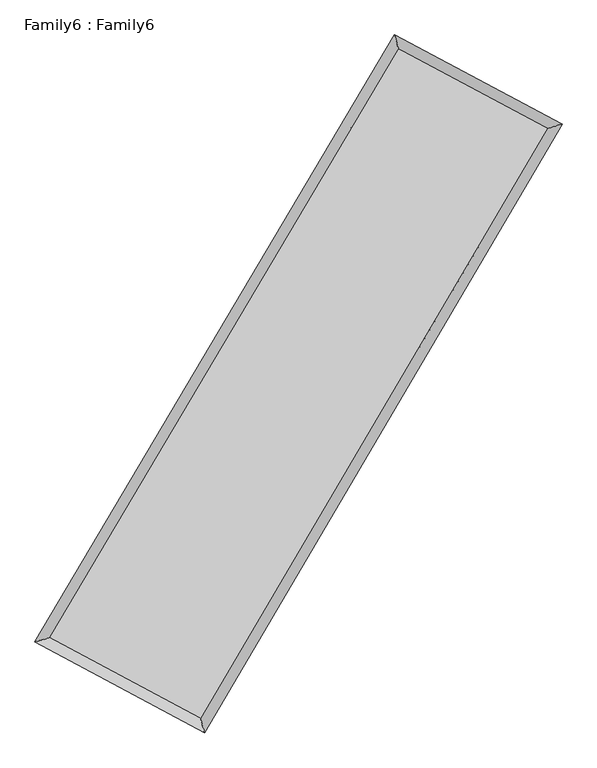
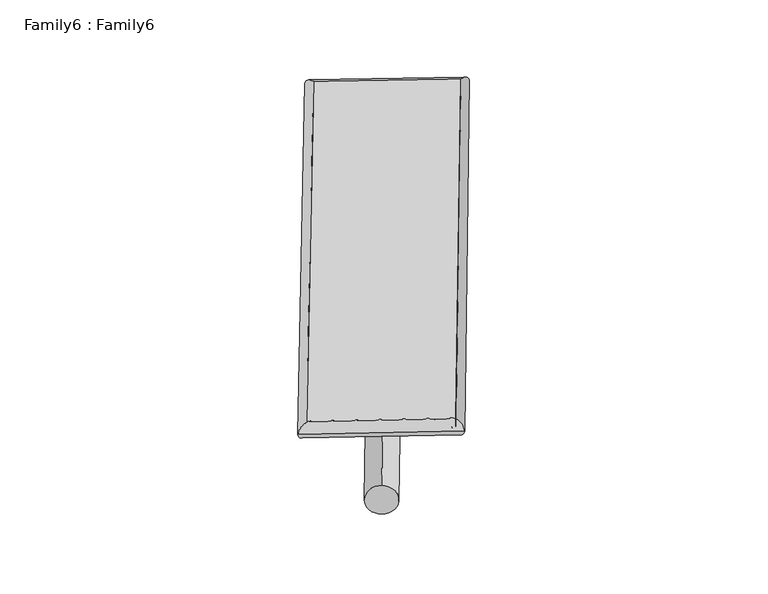
"""IFC4 building model written with IfcOpenShell, lengths in millimetres: plate geometry, Family6 : Family6."""

from ifc_helpers import new_model, si_unit, point, frame, origin, origin_2d, place, context, project, spatial, circle_curve, ellipse_curve, trimmed, segment, composite_curve, outline, extrude, source, transform, mapped, element, save
from ifc_brep_helpers import plane_surface, cylinder_surface, spline_surface, advanced_brep


def family6_family6_4b37ae3a(model_context):
    return source(origin(), model_context, "Body", "SolidModel", [
        extrude(outline(composite_curve([segment(trimmed(circle_curve(origin_2d(), 76.2), [point((-75.4341514, -10.7763073))], [point((75.4341514, 10.7763073))], False, "CARTESIAN"), True, "CONTINUOUS"), segment(trimmed(circle_curve(origin_2d(), 76.2), [point((75.4341514, 10.7763073))], [point((-75.4341514, -10.7763073))], False, "CARTESIAN"), True, "CONTINUOUS")], self_intersect=False)), frame((9144.0, 9144.0, 0.0), z_axis=(0.6725714700838434, 0.6889380627000794, 0.2702072600658973), x_axis=(-0.6806189527876735, 0.7192105387891109, -0.1396210657490038)), (0.0, 0.0, 1.0), 5620.254368),
        extrude(outline(composite_curve([segment(trimmed(circle_curve(origin_2d(), 76.2), [point((-53.8815367, 53.8815368))], [point((53.8815367, -53.8815368))], False, "CARTESIAN"), True, "CONTINUOUS"), segment(trimmed(circle_curve(origin_2d(), 76.2), [point((53.8815367, -53.8815368))], [point((-53.8815367, 53.8815368))], False, "CARTESIAN"), True, "CONTINUOUS")], self_intersect=False)), frame((9144.0, 9144.0, 0.0), z_axis=(-0.6748914644322163, -0.6867174343248839, 0.2700753165892573), x_axis=(0.6391530062211681, -0.36108952946366196, 0.6790418148760462)), (0.0, 0.0, 1.0), 5623.5192378),
        extrude(outline(composite_curve([segment(trimmed(circle_curve(origin_2d(), 76.2), [point((-53.8815367, -53.8815367))], [point((53.8815367, 53.8815367))], False, "CARTESIAN"), True, "CONTINUOUS"), segment(trimmed(circle_curve(origin_2d(), 76.2), [point((53.8815367, 53.8815367))], [point((-53.8815367, -53.8815367))], False, "CARTESIAN"), True, "CONTINUOUS")], self_intersect=False)), frame((9144.0, 9144.0, 0.0), z_axis=(0.2731679523980719, 0.9213476802267281, 0.2765822154865924), x_axis=(-0.8405593495855311, 0.36843281044738024, -0.3971363040697663)), (0.0, 0.0, 1.0), 5518.1942736),
        extrude(outline(composite_curve([segment(trimmed(circle_curve(origin_2d(), 76.2), [point((-75.4341515, 10.7763073))], [point((75.4341515, -10.7763073))], False, "CARTESIAN"), True, "CONTINUOUS"), segment(trimmed(circle_curve(origin_2d(), 76.2), [point((75.4341515, -10.7763073))], [point((-75.4341515, 10.7763073))], False, "CARTESIAN"), True, "CONTINUOUS")], self_intersect=False)), frame((9144.0, 9144.0, 0.0), z_axis=(-0.2700520312596438, -0.9223255668879273, 0.27638279446702935), x_axis=(0.8795368525198635, -0.11950728796377748, 0.460578910918634)), (0.0, 0.0, 1.0), 5522.5083468),
        advanced_brep(
        [(5136.4262693, 5222.9317915, 1519.3668503), (5561.0454853, 5341.5335508, 1519.5183131), (5561.0434633, 5341.5308028, 1518.1806267), (10708.2098587, 14025.1485217, 1525.4225132), (10594.5778026, 14431.2024644, 1527.0462821), (5136.4242473, 5222.9290435, 1518.0291639), (12712.1291859, 12956.3037379, 1518.7203551), (13135.9162992, 13075.7105745, 1518.5467122), (7595.4342504, 4253.8462583, 1526.1873617), (7709.8365562, 3847.0524585, 1526.465217)],
        [
            (0, 1, ellipse_curve(frame((5348.7348663, 5282.2312971, 1518.7737385), z_axis=(-0.2690156421882086, 0.9631345250450909, -0.001571917374751863), x_axis=(-0.9631316563850901, -0.2690189162955244, -0.0024970270511784774)), 220.4385442, 152.4)),
            (1, 2, ellipse_curve(frame((5348.7348663, 5282.2312971, 1518.7737385), z_axis=(-0.2690156421882086, 0.9631345250450909, -0.001571917374751863), x_axis=(-0.9631316563850901, -0.2690189162955244, -0.0024970270511784774)), 220.4385442, 152.4)),
            (2, 3),
            (3, 4, ellipse_curve(frame((10651.3938307, 14228.175493, 1526.2343977), z_axis=(-0.96300008041275, -0.26949667576147696, 0.001544952604614429), x_axis=(0.26949209868641005, -0.962998942211344, -0.0026544388157814965)), 210.8286732, 152.4)),
            (4, 0),
            (2, 5, ellipse_curve(frame((5348.7348663, 5282.2312971, 1518.7737385), z_axis=(-0.2690156421882086, 0.9631345250450909, -0.001571917374751863), x_axis=(-0.9631316563850901, -0.2690189162955244, -0.0024970270511784774)), 220.4385442, 152.4)),
            (5, 0, ellipse_curve(frame((5348.7348663, 5282.2312971, 1518.7737385), z_axis=(-0.2690156421882086, 0.9631345250450909, -0.001571917374751863), x_axis=(-0.9631316563850901, -0.2690189162955244, -0.0024970270511784774)), 220.4385442, 152.4)),
            (4, 3, ellipse_curve(frame((10651.3938307, 14228.175493, 1526.2343977), z_axis=(-0.96300008041275, -0.26949667576147696, 0.001544952604614429), x_axis=(0.26949209868641005, -0.962998942211344, -0.0026544388157814965)), 210.8286732, 152.4)),
            (3, 6),
            (6, 7, ellipse_curve(frame((12924.0227426, 13016.0071562, 1518.6335337), z_axis=(-0.27120071736330564, 0.9625214906745848, 0.0015971509646407521), x_axis=(-0.9625184637471593, -0.27120410765176023, 0.0025571348460482436)), 220.1445692, 152.4)),
            (7, 4),
            (7, 6, ellipse_curve(frame((12924.0227426, 13016.0071562, 1518.6335337), z_axis=(-0.27120071736330564, 0.9625214906745848, 0.0015971509646407521), x_axis=(-0.9625184637471593, -0.27120410765176023, 0.0025571348460482436)), 220.1445692, 152.4)),
            (6, 8),
            (8, 9, ellipse_curve(frame((7652.6354033, 4050.4493584, 1526.3262894), z_axis=(0.9626548161713481, 0.2707276880961953, 0.0014912411599707998), x_axis=(-0.27072329696439773, 0.9626536384725, -0.002620842685814904)), 211.2875973, 152.4)),
            (9, 7),
            (9, 8, ellipse_curve(frame((7652.6354033, 4050.4493584, 1526.3262894), z_axis=(0.9626548161713481, 0.2707276880961953, 0.0014912411599707998), x_axis=(-0.27072329696439773, 0.9626536384725, -0.002620842685814904)), 211.2875973, 152.4)),
            (8, 1),
            (5, 9),
        ],
        [
            cylinder_surface(frame((5348.7348663, 5282.2312971, 1518.7737385), z_axis=(-0.5098989511805304, -0.8602340059003832, -0.0007174103250641463), x_axis=(-0.8602266587080839, 0.5098907252580529, 0.004641545404554315)), 152.4),
            cylinder_surface(frame((10651.3938307, 14228.175493, 1526.2343977), z_axis=(-0.882333045015139, 0.4706162867588819, 0.002950984851691536), x_axis=(0.4706233838378253, 0.8823306343486297, 0.0025064466840004546)), 152.4),
            cylinder_surface(frame((12924.0227426, 13016.0071562, 1518.6335337), z_axis=(0.5068435249246592, 0.8620377567996095, -0.0007396579235934251), x_axis=(0.8620380506141908, -0.5068435249246592, 0.00020133363454288156)), 152.4),
            cylinder_surface(frame((7652.6354033, 4050.4493584, 1526.3262894), z_axis=(0.8818664218705977, -0.4714904629862986, 0.0028908978043206573), x_axis=(-0.4714868605501168, -0.8818711154519131, -0.0018644195326034366)), 152.4),
        ],
        [
            (0, [[1, 2, 3, 4, 5]]),
            (0, [[6, 7, -5, 8, -3]]),
            (1, [[-4, 9, 10, 11]]),
            (1, [[-8, -11, 12, -9]]),
            (2, [[-10, 13, 14, 15]]),
            (2, [[-12, -15, 16, -13]]),
            (3, [[-14, 17, -1, -7, 18]]),
            (3, [[-16, -18, -6, -2, -17]]),
        ],
    ),
        extrude(outline(composite_curve([segment(trimmed(circle_curve(origin_2d(), 304.8), [point((0.0, -304.8))], [point((-1e-07, 304.8))], False, "CARTESIAN"), True, "CONTINUOUS"), segment(trimmed(circle_curve(origin_2d(), 304.8), [point((-1e-07, 304.8))], [point((0.0, -304.8))], False, "CARTESIAN"), True, "CONTINUOUS")], self_intersect=False)), frame((6491.9470551, 4640.6955397, -0.000301), z_axis=(0.5074536811246285, 0.8616790362501926, 5.7599357095476366e-08), x_axis=(-0.8616790362501944, 0.5074536811246285, 1.5700346418137007e-08)), (0.0, 0.0, 1.0), 10452.3941534),
        advanced_brep(
        [(5348.7348663, 5282.2312971, 1518.7737385), (7652.6354033, 4050.4493584, 1526.3262894), (7652.6347036, 4050.4517622, 1678.7262893), (5348.7341667, 5282.2337009, 1671.1737385), (12924.0227426, 13016.0071562, 1518.6335337), (12924.0220429, 13016.00956, 1671.0335336), (10651.3938307, 14228.175493, 1526.2343977), (10651.393131, 14228.1778968, 1678.6343977)],
        [
            (0, 1),
            (1, 2),
            (2, 3),
            (3, 0),
            (1, 4),
            (4, 5),
            (5, 2),
            (4, 6),
            (6, 7),
            (7, 5),
            (6, 0),
            (3, 7),
        ],
        [
            plane_surface(frame((6500.6851348, 4666.3403278, 1522.5500139), z_axis=(-0.4714924631002781, -0.8818700908306661, 1.1745028660528015e-05), x_axis=(0.8818664218705978, -0.47149046298629815, 0.0028908978043206573))),
            plane_surface(frame((10288.3290729, 8533.2282573, 1522.4799115), z_axis=(0.8620379970265961, -0.5068436559132655, 1.1951968554002037e-05), x_axis=(0.5068435249246591, 0.8620377567996095, -0.0007396579235934251))),
            plane_surface(frame((11787.7082866, 13622.0913246, 1522.4339657), z_axis=(0.470618305265353, 0.8823369031220184, -1.175640485455388e-05), x_axis=(-0.8823330450151388, 0.47061628675888195, 0.0029509848516915366))),
            plane_surface(frame((8000.0643485, 9755.2033951, 1522.5040681), z_axis=(-0.8602342228234782, 0.5098990897613778, -1.1991880491895581e-05), x_axis=(-0.5098989511805304, -0.8602340059003832, -0.0007174103250641464))),
            spline_surface(1, 1, [[(7652.6347036, 4050.4517622, 1678.7262893), (5348.7341667, 5282.2337009, 1671.1737385)], [(12924.0220429, 13016.00956, 1671.0335336), (10651.393131, 14228.1778968, 1678.6343977)]], [2, 2], [2, 2], [0.0, 1.0], [0.0, 1.0]),
            spline_surface(1, 1, [[(10651.3938307, 14228.175493, 1526.2343977), (5348.7348663, 5282.2312971, 1518.7737385)], [(12924.0227426, 13016.0071562, 1518.6335337), (7652.6354033, 4050.4493584, 1526.3262894)]], [2, 2], [2, 2], [0.0, 1.0], [0.0, 1.0]),
        ],
        [
            (0, [[1, 2, 3, 4]]),
            (1, [[5, 6, 7, -2]]),
            (2, [[8, 9, 10, -6]]),
            (3, [[11, -4, 12, -9]]),
            (4, [[-3, -7, -10, -12]]),
            (5, [[-11, -8, -5, -1]]),
        ],
    ),
    ])


if __name__ == "__main__":
    model = new_model("IFC4")
    model_context = context("Model", 3, world=origin())
    ifc_project = project(units=[si_unit("LENGTHUNIT", "METRE", prefix="MILLI")], contexts=[model_context])
    site = spatial("IfcSite", under=ifc_project)
    building = spatial("IfcBuilding", under=site)
    placement = place(None, origin())
    family6_family6_shape = family6_family6_4b37ae3a(model_context)
    element("IfcPlate", 1, ObjectType="Family6 : Family6", at=placement, inside=building, context=model_context, shape_type="MappedRepresentation", body=[
        mapped(family6_family6_shape, transform((0.0, 0.0, 0.0), x_axis=(1.0, 0.0, 0.0), y_axis=(0.0, 1.0, 0.0), z_axis=(0.0, 0.0, 1.0))),
    ])
    save(model, "model.ifc")
